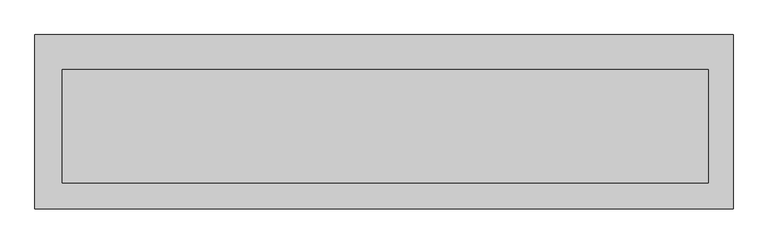
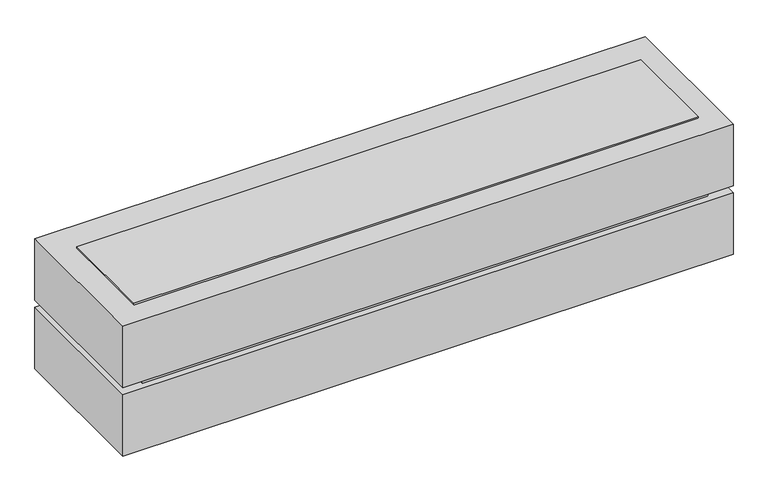
"""IFC4 building model written with IfcOpenShell, lengths in millimetres: proxy geometry."""

from ifc_helpers import new_model, si_unit, frame, origin, origin_with_axes, place, context, project, spatial, polyline, outline, extrude, source, transform, mapped, element, save


def specialty_equipment_4944bd93(model_context):
    return source(origin(), model_context, "Body", "SweptSolid", [
        extrude(outline(polyline([(-508.0, 0.0), (508.0, 0.0), (508.0, -254.0), (-508.0, -254.0), (-508.0, 0.0)])), frame((0.0, 0.0, 120.65), z_axis=(0.0, 0.0, 1.0), x_axis=(1.0, 0.0, 0.0)), (0.0, 0.0, 1.0), 107.95),
        extrude(outline(polyline([(-508.0, 0.0), (508.0, 0.0), (508.0, -254.0), (-508.0, -254.0), (-508.0, 0.0)])), origin_with_axes(), (0.0, 0.0, 1.0), 107.95),
        extrude(outline(polyline([(-469.6796366, -243.5882578), (-469.6796366, -87.8675836), (471.8150803, -87.8675836), (471.8150803, -243.5882578), (-469.6796366, -243.5882578)])), frame((0.0, 0.0, 107.95), z_axis=(0.0, 0.0, 1.0), x_axis=(1.0, 0.0, 0.0)), (0.0, 0.0, 1.0), 12.7),
        extrude(outline(polyline([(-467.9849197, -216.0777407), (-467.9849197, -50.9777407), (471.8150803, -50.9777407), (471.8150803, -216.0777407), (-467.9849197, -216.0777407)])), frame((0.0, 0.0, 225.425), z_axis=(0.0, 0.0, 1.0), x_axis=(1.0, 0.0, 0.0)), (0.0, 0.0, 1.0), 6.35),
        extrude(outline(polyline([(-467.9849197, -216.0777407), (-467.9849197, -50.9777407), (471.8150803, -50.9777407), (471.8150803, -216.0777407), (-467.9849197, -216.0777407)])), frame((0.0, 0.0, -3.175), z_axis=(0.0, 0.0, 1.0), x_axis=(1.0, 0.0, 0.0)), (0.0, 0.0, 1.0), 6.35),
    ])


if __name__ == "__main__":
    model = new_model("IFC4")
    model_context = context("Model", 3, world=origin())
    ifc_project = project(units=[si_unit("LENGTHUNIT", "METRE", prefix="MILLI")], contexts=[model_context])
    site = spatial("IfcSite", under=ifc_project)
    building = spatial("IfcBuilding", under=site)
    placement = place(None, origin())
    specialty_equipment_shape = specialty_equipment_4944bd93(model_context)
    element("IfcBuildingElementProxy", 1, Name="Specialty Equipment", at=placement, inside=building, context=model_context, shape_type="MappedRepresentation", body=[
        mapped(specialty_equipment_shape, transform((0.0, 0.0, 0.0), x_axis=(1.0, 0.0, 0.0), y_axis=(0.0, 1.0, 0.0), z_axis=(0.0, 0.0, 1.0))),
    ])
    save(model, "model.ifc")
